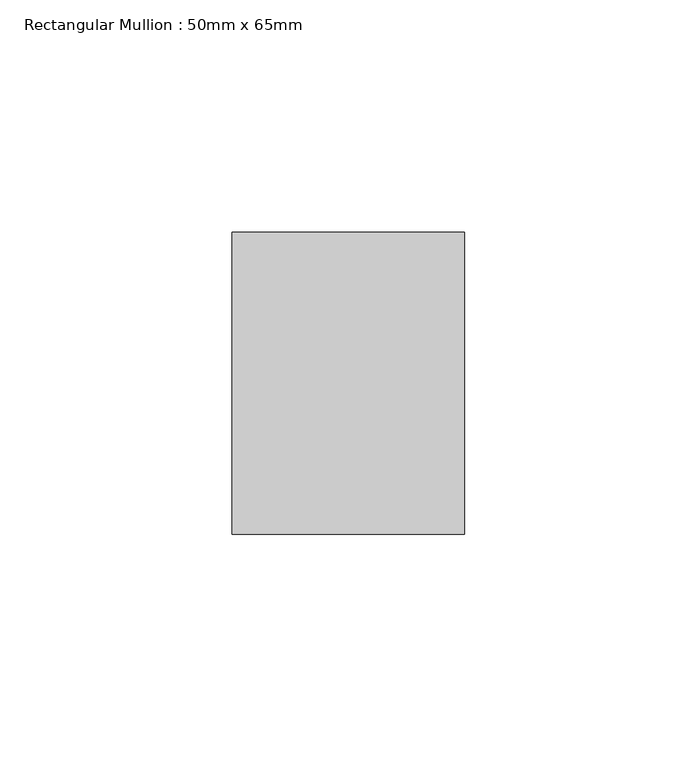
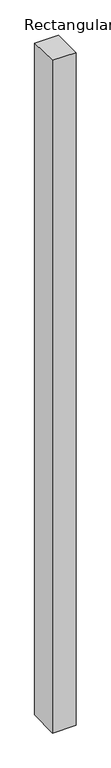
"""IFC4 building model written with IfcOpenShell, lengths in millimetres: member geometry, Rectangular Mullion : 50mm x 65mm."""

import ifcopenshell
import ifcopenshell.guid

model = None  # the IFC model being written
_history = None  # IfcOwnerHistory: only IFC2X3 demands one
_inside = {}  # id of a spatial element -> (the spatial element, [elements in it])
_under = {}  # id of a project, library or spatial element -> (it, [spatial elements below it])
_declared = {}  # id of a project -> (the project, [libraries it declares])
_typed = {}  # id of a type object -> (the type object, [elements of that type])
_made_of = {}  # id of a material, layer set ... -> (it, [elements and type objects made of it])


def new_model(schema):
    """Start an empty IFC model of exactly this schema.

    Asked for "IFC4X3", IfcOpenShell would pick the latest addendum, in which some entities
    have other attributes; the version numbers below select the first issue.
    IFC2X3 requires an IfcOwnerHistory on every rooted entity: one is made here for all.
    """
    global model, _history
    if schema == "IFC4X3":
        model = ifcopenshell.file(schema_version=(4, 3, 0, 0))
    else:
        model = ifcopenshell.file(schema=schema)
    _inside.clear()
    _under.clear()
    _declared.clear()
    _typed.clear()
    _made_of.clear()
    _history = None
    if model.schema == "IFC2X3":
        org = make("IfcOrganization", Name="unknown")
        user = make(
            "IfcPersonAndOrganization",
            ThePerson=make("IfcPerson", FamilyName="unknown"),
            TheOrganization=org,
        )
        app = make(
            "IfcApplication",
            ApplicationDeveloper=org,
            Version="unknown",
            ApplicationFullName="unknown",
            ApplicationIdentifier="unknown",
        )
        _history = make(
            "IfcOwnerHistory",
            OwningUser=user,
            OwningApplication=app,
            ChangeAction="ADDED",
            CreationDate=0,
        )
    return model


def make(cls, **values):
    """One entity of the class cls with the attributes given. An attribute that is None is left unset."""
    return model.create_entity(
        cls, **{name: value for name, value in values.items() if value is not None}
    )


def rooted(cls, **values):
    """An entity with a GlobalId (a new one), such as an element, a storey or a relation."""
    return make(cls, GlobalId=ifcopenshell.guid.new(), OwnerHistory=_history, **values)


def si_unit(unit_type, name, prefix=None):
    """IfcSIUnit, for example si_unit("LENGTHUNIT", "METRE", prefix="MILLI")."""
    return make("IfcSIUnit", UnitType=unit_type, Prefix=prefix, Name=name)


def assignment(units):
    """IfcUnitAssignment: the units of a project."""
    return None if units is None else make("IfcUnitAssignment", Units=units)


def point(xyz):
    """IfcCartesianPoint."""
    return None if xyz is None else make("IfcCartesianPoint", Coordinates=xyz)


def direction(xyz):
    """IfcDirection."""
    return None if xyz is None else make("IfcDirection", DirectionRatios=xyz)


def frame(location, z_axis=None, x_axis=None):
    """IfcAxis2Placement3D, a coordinate frame: its origin and axes. An axis left out is left unset."""
    return make(
        "IfcAxis2Placement3D",
        Location=point(location),
        Axis=direction(z_axis),
        RefDirection=direction(x_axis),
    )


def origin():
    """The frame at (0, 0, 0) with its axes left unset."""
    return frame((0.0, 0.0, 0.0))


def place(relative_to, where):
    """IfcLocalPlacement: puts the frame where relative to a parent placement (None: the world)."""
    return make(
        "IfcLocalPlacement", PlacementRelTo=relative_to, RelativePlacement=where
    )


def context(
    kind, dimensions, precision=None, world=None, true_north=None, identifier=None
):
    """IfcGeometricRepresentationContext, for example the 3D "Model" context."""
    return make(
        "IfcGeometricRepresentationContext",
        ContextIdentifier=identifier,
        ContextType=kind,
        CoordinateSpaceDimension=dimensions,
        Precision=precision,
        WorldCoordinateSystem=world,
        TrueNorth=true_north,
    )


def project(units=None, contexts=None):
    """IfcProject with its units and contexts."""
    return rooted(
        "IfcProject",
        Name="project",
        RepresentationContexts=contexts,
        UnitsInContext=assignment(units),
    )


def spatial(cls, under=None, at=None, **own):
    """A site, building, storey or space (cls), placed at a placement, below another one or the project."""
    s = rooted(cls, ObjectPlacement=at, **own)
    if under is not None:
        _under.setdefault(under.id(), (under, []))[1].append(s)
    return s


def faces_of(points, faces, orient=None, outer=None):
    """IfcFace entities. A face is a list of loops; a loop is a list of indices into points, from 0.

    orient and outer hold one flag for each loop. By default every Orientation is true, the
    first loop of a face is its IfcFaceOuterBound and the others are IfcFaceBound.
    """
    made = []
    for i, loops in enumerate(faces):
        bounds = []
        for j, loop in enumerate(loops):
            is_outer = j == 0 if outer is None else outer[i][j]
            bounds.append(
                make(
                    "IfcFaceOuterBound" if is_outer else "IfcFaceBound",
                    Bound=make("IfcPolyLoop", Polygon=[points[k] for k in loop]),
                    Orientation=True if orient is None else orient[i][j],
                )
            )
        made.append(make("IfcFace", Bounds=bounds))
    return made


def faceted_brep(points, faces, orient=None, outer=None, voids=None):
    """IfcFacetedBrep: a solid bounded by flat faces; with voids (closed shells), ...WithVoids."""
    shared = [point(p) for p in points]
    hull = make("IfcClosedShell", CfsFaces=faces_of(shared, faces, orient, outer))
    if voids is None:
        return make("IfcFacetedBrep", Outer=hull)
    return make(
        "IfcFacetedBrepWithVoids",
        Outer=hull,
        Voids=[
            make(cls, CfsFaces=faces_of(shared, fs, o, b)) for cls, fs, o, b in voids
        ],
    )


def shape(context_of_items, identifier, shape_type, items):
    """IfcShapeRepresentation: the items that make up one representation, for example the "Body"."""
    return make(
        "IfcShapeRepresentation",
        ContextOfItems=context_of_items,
        RepresentationIdentifier=identifier,
        RepresentationType=shape_type,
        Items=items,
    )


def source(mapping_origin, context_of_items, identifier, shape_type, items):
    """IfcRepresentationMap: a shape defined once, which mapped items show again and again."""
    return make(
        "IfcRepresentationMap",
        MappingOrigin=mapping_origin,
        MappedRepresentation=shape(context_of_items, identifier, shape_type, items),
    )


def transform(
    local_origin,
    x_axis=None,
    y_axis=None,
    z_axis=None,
    scale=None,
    scale2=None,
    scale3=None,
    uniform=True,
):
    """IfcCartesianTransformationOperator3D, or its non-uniform kind. x_axis, y_axis, z_axis: its Axis1, 2, 3."""
    if uniform:
        return make(
            "IfcCartesianTransformationOperator3D",
            Axis1=direction(x_axis),
            Axis2=direction(y_axis),
            LocalOrigin=point(local_origin),
            Scale=scale,
            Axis3=direction(z_axis),
        )
    return make(
        "IfcCartesianTransformationOperator3DnonUniform",
        Axis1=direction(x_axis),
        Axis2=direction(y_axis),
        LocalOrigin=point(local_origin),
        Scale=scale,
        Axis3=direction(z_axis),
        Scale2=scale2,
        Scale3=scale3,
    )


def mapped(mapping_source, mapping_target):
    """IfcMappedItem: shows the shape of a source again, moved by a transform."""
    return make(
        "IfcMappedItem", MappingSource=mapping_source, MappingTarget=mapping_target
    )


def made_of(thing, what):
    """Note that an element or type object is made of a material, layer set ...; save() writes the relation."""
    if what is not None:
        _made_of.setdefault(what.id(), (what, []))[1].append(thing)
    return thing


def element(
    cls,
    number,
    at=None,
    inside=None,
    cuts=None,
    type_object=None,
    material=None,
    context=None,
    identifier="Body",
    shape_type=None,
    held_by="IfcProductDefinitionShape",
    body=None,
    shapes=None,
    **own,
):
    """One element of the class cls, such as IfcWall. Its Tag is "e" and its number.

    at: its placement. inside: the storey or other place that contains it. cuts: it is an
    opening in that element (IfcRelVoidsElement). A single representation is given by context,
    identifier, shape_type and body (its items); several are given by shapes. held_by: the class
    of the entity that holds the representations. save() writes the other relations.
    """
    e = rooted(cls, Tag="e%d" % number, ObjectPlacement=at, **own)
    if body is not None:
        shapes = [shape(context, identifier, shape_type, body)]
    if shapes is not None:
        e.Representation = make(held_by, Representations=shapes)
    if inside is not None:
        _inside.setdefault(inside.id(), (inside, []))[1].append(e)
    if cuts is not None:
        rooted(
            "IfcRelVoidsElement", RelatingBuildingElement=cuts, RelatedOpeningElement=e
        )
    if type_object is not None:
        _typed.setdefault(type_object.id(), (type_object, []))[1].append(e)
    return made_of(e, material)


def aggregate(whole, parts):
    """IfcRelAggregates: a whole, such as a stair, and the parts it consists of."""
    return rooted("IfcRelAggregates", RelatingObject=whole, RelatedObjects=parts)


def save(model, path):
    """Write the relations noted so far, then the file.

    IfcRelAggregates (storeys below a building ...), IfcRelContainedInSpatialStructure (elements
    in a storey), IfcRelDefinesByType, IfcRelAssociatesMaterial and IfcRelDeclares: one each for
    every whole, place, type object, material and project.
    """
    for whole, parts in _under.values():
        aggregate(whole, parts)
    for where, things in _inside.values():
        rooted(
            "IfcRelContainedInSpatialStructure",
            RelatedElements=things,
            RelatingStructure=where,
        )
    for kind, things in _typed.values():
        rooted("IfcRelDefinesByType", RelatedObjects=things, RelatingType=kind)
    for what, things in _made_of.values():
        rooted("IfcRelAssociatesMaterial", RelatedObjects=things, RelatingMaterial=what)
    for by, libraries in _declared.values():
        rooted("IfcRelDeclares", RelatingContext=by, RelatedDefinitions=libraries)
    model.write(path)


def rectangular_mullion_50mm_x_65mm_91070950(model_context):
    return source(origin(), model_context, "Body", "Brep", [
        faceted_brep([(-25.0, 32.5, -0.5683185), (25.0, 32.5, -0.568322), (25.0, 32.5, -1499.2868933), (-25.0, 32.5, -1499.2868977), (-25.0, -32.5, 0.568322), (-25.0, -32.5, -1500.7123145), (25.0, -32.5, 0.5683185), (25.0, -32.5, -1500.7123102)], [[[0, 1, 2, 3]], [[4, 0, 3, 5]], [[6, 4, 5, 7]], [[1, 6, 7, 2]], [[1, 0, 4, 6]], [[2, 7, 5, 3]]]),
    ])


if __name__ == "__main__":
    model = new_model("IFC4")
    model_context = context("Model", 3, world=origin())
    ifc_project = project(units=[si_unit("LENGTHUNIT", "METRE", prefix="MILLI")], contexts=[model_context])
    site = spatial("IfcSite", under=ifc_project)
    building = spatial("IfcBuilding", under=site)
    placement = place(None, origin())
    rectangular_mullion_50mm_x_65mm_shape = rectangular_mullion_50mm_x_65mm_91070950(model_context)
    element("IfcMember", 1, ObjectType="Rectangular Mullion : 50mm x 65mm", at=placement, inside=building, context=model_context, shape_type="MappedRepresentation", body=[
        mapped(rectangular_mullion_50mm_x_65mm_shape, transform((0.0, 0.0, 0.0), x_axis=(1.0, 0.0, 0.0), y_axis=(0.0, 1.0, 0.0), z_axis=(0.0, 0.0, 1.0))),
    ])
    save(model, "model.ifc")
